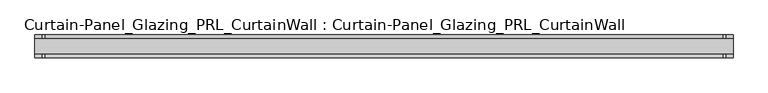
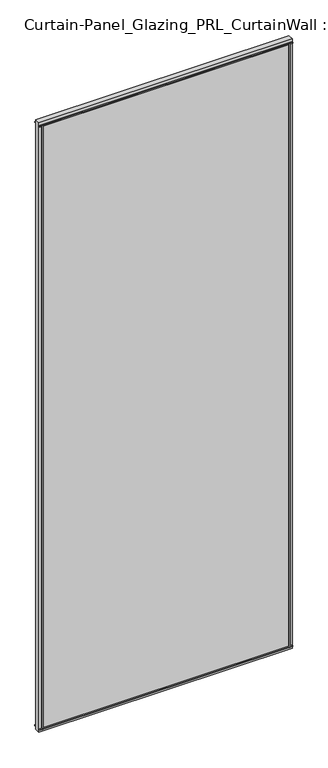
"""IFC4 building model written with IfcOpenShell, lengths in millimetres: plate geometry, Curtain-Panel_Glazing_PRL_CurtainWall : Curtain-Panel_Glazing_PRL_CurtainWall."""

from ifc_helpers import new_model, si_unit, frame, origin, origin_with_axes, place, context, project, spatial, polyline, outline, extrude, source, transform, mapped, element, save


def curtain_panel_glazing_prl_curtainwall_curtain_panel_glazing_171e89f8(model_context):
    return source(origin(), model_context, "Body", "SweptSolid", [
        extrude(outline(polyline([(566.1846215, 19.05), (566.1846215, 12.7), (562.2158715, 12.7), (562.2158715, 19.05), (566.1846215, 19.05)])), frame((0.0, 0.0, 12.7), z_axis=(0.0, 0.0, 1.0), x_axis=(1.0, 0.0, 0.0)), (0.0, 0.0, 1.0), 2946.4),
        extrude(outline(polyline([(566.1846215, -19.05), (562.2158715, -19.05), (562.2158715, -12.7), (566.1846215, -12.7), (566.1846215, -19.05)])), frame((0.0, 0.0, 12.7), z_axis=(0.0, 0.0, 1.0), x_axis=(1.0, 0.0, 0.0)), (0.0, 0.0, 1.0), 2946.4),
        extrude(outline(polyline([(-578.8846215, 19.05), (-574.9158715, 19.05), (-574.9158715, 12.7), (-578.8846215, 12.7), (-578.8846215, 19.05)])), frame((0.0, 0.0, 12.7), z_axis=(0.0, 0.0, 1.0), x_axis=(1.0, 0.0, 0.0)), (0.0, 0.0, 1.0), 2946.4),
        extrude(outline(polyline([(-578.8846215, -19.05), (-578.8846215, -12.7), (-574.9158715, -12.7), (-574.9158715, -19.05), (-578.8846215, -19.05)])), frame((0.0, 0.0, 12.7), z_axis=(0.0, 0.0, 1.0), x_axis=(1.0, 0.0, 0.0)), (0.0, 0.0, 1.0), 2946.4),
        extrude(outline(polyline([(578.8846215, -12.7), (-591.5846215, -12.7), (-591.5846215, 12.7), (578.8846215, 12.7), (578.8846215, -12.7)])), origin_with_axes(), (0.0, 0.0, 1.0), 2971.8),
        extrude(outline(polyline([(-591.5846215, 19.05), (578.8846215, 19.05), (578.8846215, 12.7), (-591.5846215, 12.7), (-591.5846215, 19.05)])), frame((0.0, 0.0, 2955.13125), z_axis=(0.0, 0.0, 1.0), x_axis=(1.0, 0.0, 0.0)), (0.0, 0.0, 1.0), 3.96875),
        extrude(outline(polyline([(-591.5846215, -19.05), (-591.5846215, -12.7), (578.8846215, -12.7), (578.8846215, -19.05), (-591.5846215, -19.05)])), frame((0.0, 0.0, 2955.13125), z_axis=(0.0, 0.0, 1.0), x_axis=(1.0, 0.0, 0.0)), (0.0, 0.0, 1.0), 3.96875),
        extrude(outline(polyline([(-591.5846215, 19.05), (578.8846215, 19.05), (578.8846215, 12.7), (-591.5846215, 12.7), (-591.5846215, 19.05)])), frame((0.0, 0.0, 12.7), z_axis=(0.0, 0.0, 1.0), x_axis=(1.0, 0.0, 0.0)), (0.0, 0.0, 1.0), 3.96875),
        extrude(outline(polyline([(-591.5846215, -19.05), (-591.5846215, -12.7), (578.8846215, -12.7), (578.8846215, -19.05), (-591.5846215, -19.05)])), frame((0.0, 0.0, 12.7), z_axis=(0.0, 0.0, 1.0), x_axis=(1.0, 0.0, 0.0)), (0.0, 0.0, 1.0), 3.96875),
    ])


if __name__ == "__main__":
    model = new_model("IFC4")
    model_context = context("Model", 3, world=origin())
    ifc_project = project(units=[si_unit("LENGTHUNIT", "METRE", prefix="MILLI")], contexts=[model_context])
    site = spatial("IfcSite", under=ifc_project)
    building = spatial("IfcBuilding", under=site)
    placement = place(None, origin())
    curtain_panel_glazing_prl_curtainwall_curtain_panel_glazing_shape = curtain_panel_glazing_prl_curtainwall_curtain_panel_glazing_171e89f8(model_context)
    element("IfcPlate", 1, ObjectType="Curtain-Panel_Glazing_PRL_CurtainWall : Curtain-Panel_Glazing_PRL_CurtainWall", at=placement, inside=building, context=model_context, shape_type="MappedRepresentation", body=[
        mapped(curtain_panel_glazing_prl_curtainwall_curtain_panel_glazing_shape, transform((0.0, 0.0, 0.0), x_axis=(1.0, 0.0, 0.0), y_axis=(0.0, 1.0, 0.0), z_axis=(0.0, 0.0, 1.0))),
    ])
    save(model, "model.ifc")
